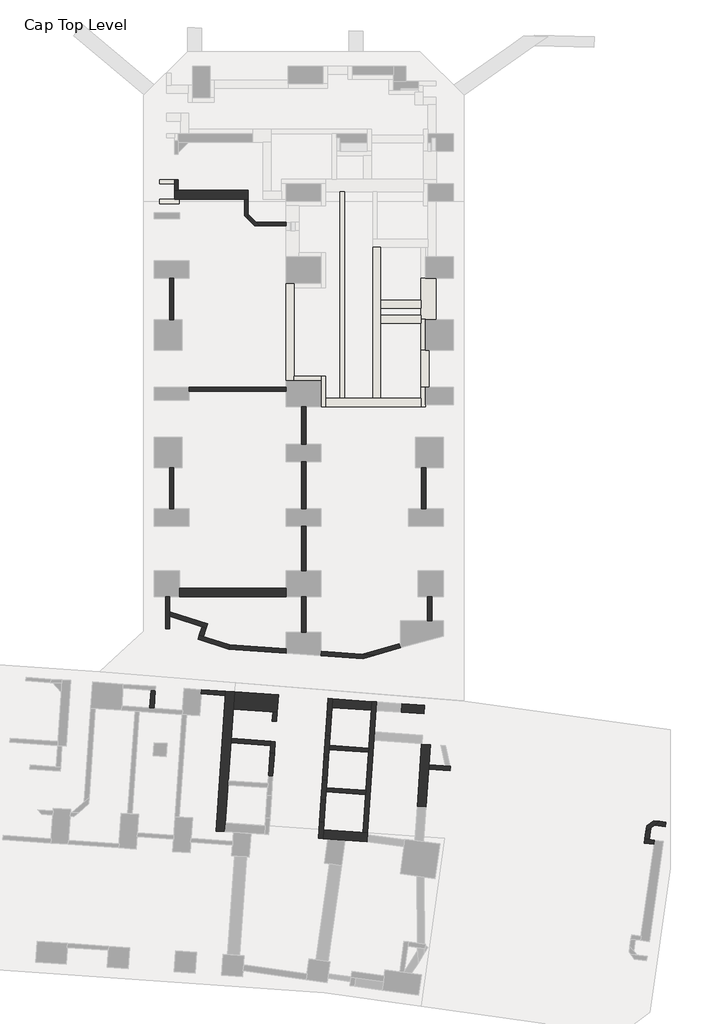
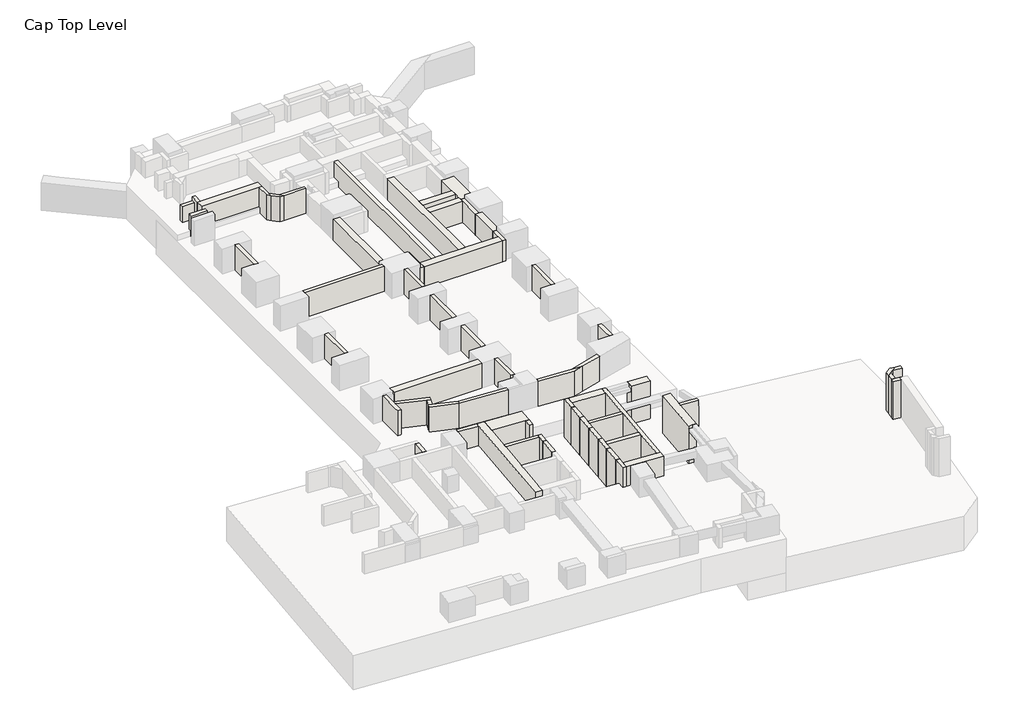
# One storey, part 2 of 5: 63 walls.
"""IFC4 building model written with IfcOpenShell, lengths in millimetres."""

from ifc_helpers import new_model, si_unit, frame, origin, place, context, project, spatial, polyline, outline, extrude, faceted_brep, element, save

model = new_model("IFC4")

# Units and contexts
model_context = context("Model", 3, world=origin())
ifc_project = project(units=[si_unit("LENGTHUNIT", "METRE", prefix="MILLI")], contexts=[model_context])

# Site, building, storey
site = spatial("IfcSite", under=ifc_project)
building = spatial("IfcBuilding", under=site)
storey = spatial("IfcBuildingStorey", under=building, Name="Cap Top Level", Elevation=2650.0)

# Walls
placement = place(None, origin())
element("IfcWall", 1, at=placement, inside=storey, context=model_context, shape_type="Brep", body=[
    faceted_brep([(-57907.6663124, 101505.2799223, 2650.0), (-61892.6663352, 101505.2799223, 2650.0), (-62092.6663352, 101505.2799223, 2650.0), (-62092.6663352, 101505.2799223, 4090.0), (-61892.6663352, 101505.2799223, 4090.0), (-57907.6663124, 101505.2799223, 4090.0), (-57907.6663124, 101505.2799223, 3890.0), (-57907.6663124, 101505.2799223, 3690.0), (-57907.6663124, 101005.2799223, 2650.0), (-57907.6663124, 101005.2799223, 4090.0), (-58107.6663124, 101005.2799223, 4090.0), (-62092.6663352, 101005.2799223, 4090.0), (-62092.6663352, 101005.2799223, 2650.0), (-57907.6663124, 101007.1889248, 4090.0), (-57907.6663124, 101256.8160493, 4090.0)], [[[0, 1, 2, 3, 4, 5, 6, 7]], [[8, 9, 10, 11, 12]], [[2, 1, 0, 8, 12]], [[5, 4, 3, 11, 10, 9, 13, 14]], [[0, 7, 6, 5, 14, 13, 9, 8]], [[3, 2, 12, 11]]]),
])
element("IfcWall", 2, at=placement, inside=storey, context=model_context, shape_type="Brep", body=[
    faceted_brep([(-59233.2094186, 64913.5909697, 2650.0), (-59198.3311817, 65412.3729949, 2650.0), (-58675.5064114, 72889.1155517, 2650.0), (-58675.5064114, 72889.1155517, 4090.0), (-58745.2628851, 71891.5515014, 4090.0), (-58861.4074139, 70230.6073565, 4090.0), (-58878.8465323, 69981.2163439, 4090.0), (-59029.8692977, 67821.4901777, 4090.0), (-59047.3084161, 67572.0991651, 4090.0), (-59198.3311817, 65412.3729949, 4090.0), (-59233.2094186, 64913.5909697, 4090.0), (-59731.9914437, 64948.4692064, 2650.0), (-59731.9914437, 64948.4692064, 4090.0), (-59191.727555, 72674.6027759, 4090.0), (-59174.2884365, 72923.9937885, 4090.0), (-59174.2884365, 72923.9937885, 2650.0), (-59191.727555, 72674.6027759, 2650.0)], [[[0, 1, 2, 3, 4, 5, 6, 7, 8, 9, 10]], [[11, 12, 13, 14, 15, 16]], [[2, 1, 0, 11, 16, 15]], [[10, 9, 8, 7, 6, 5, 4, 3, 14, 13, 12]], [[3, 2, 15, 14]], [[0, 10, 12, 11]]]),
])
element("IfcWall", 3, at=placement, inside=storey, context=model_context, shape_type="Brep", body=[
    faceted_brep([(-58745.2628851, 71891.5515014, 1300.0), (-56485.780312, 71733.5530887, 1300.0), (-56236.3892995, 71716.1139703, 1300.0), (-56236.3892995, 71716.1139703, 4090.0), (-56485.780312, 71733.5530887, 4090.0), (-58745.2628851, 71891.5515014, 4090.0), (-58675.5064114, 72889.1155517, 1300.0), (-58675.5064114, 72889.1155517, 2650.0), (-58675.5064114, 72889.1155517, 4090.0), (-56166.6328258, 72713.6780206, 4090.0), (-56166.6328258, 72713.6780206, 1300.0), (-56184.0719447, 72464.2870002, 4090.0)], [[[0, 1, 2, 3, 4, 5]], [[6, 7, 8, 9, 10]], [[2, 1, 0, 6, 10]], [[5, 4, 3, 11, 9, 8]], [[0, 5, 8, 7, 6]], [[3, 2, 10, 9, 11]]]),
])
element("IfcWall", 4, at=placement, inside=storey, context=model_context, shape_type="Brep", body=[
    faceted_brep([(-53631.8836912, 64521.9081174, 2650.0), (-51123.0136894, 64346.4708368, 2650.0), (-51123.0136894, 64346.4708368, 3390.0), (-51123.0136894, 64346.4708368, 3890.0), (-51123.0136894, 64346.4708368, 4090.0), (-53631.8836912, 64521.9081174, 4090.0), (-53597.0054548, 65020.6901426, 2650.0), (-53597.0054548, 65020.6901426, 4090.0), (-51337.5264651, 64862.6919803, 4090.0), (-51088.1354526, 64845.2528619, 4090.0), (-51088.1354526, 64845.2528619, 2650.0)], [[[0, 1, 2, 3, 4, 5]], [[6, 7, 8, 9, 10]], [[1, 0, 6, 10]], [[5, 4, 9, 8, 7]], [[4, 3, 2, 1, 10, 9]], [[0, 5, 7, 6]]]),
])
element("IfcWall", 5, at=placement, inside=storey, context=model_context, shape_type="SweptSolid", body=[
    extrude(outline(polyline([(-50849.579922, 71840.6526607), (-53109.0613208, 71998.6509913), (-53074.183084, 72497.4330164), (-50814.7016852, 72339.4346859), (-50849.579922, 71840.6526607)])), frame((0.0, 0.0, 1300.0), z_axis=(0.0, 0.0, 1.0), x_axis=(1.0, 0.0, 0.0)), (0.0, 0.0, 1.0), 2790.0),
])
element("IfcWall", 6, at=placement, inside=storey, context=model_context, shape_type="Brep", body=[
    faceted_brep([(-47736.7443604, 66325.076416, 1300.0), (-47586.0703773, 68479.8147593, 1300.0), (-47568.6312588, 68729.2057718, 1300.0), (-47488.7600959, 69871.4166147, 1300.0), (-47488.7600959, 69871.4166147, 4090.0), (-47568.6312588, 68729.2057718, 4090.0), (-47586.0703773, 68479.8147593, 4090.0), (-47736.7443604, 66325.076416, 4090.0), (-48235.5263855, 66359.9546529, 1300.0), (-48235.5263855, 66359.9546529, 4090.0), (-47987.542121, 69906.2948516, 4090.0), (-47987.542121, 69906.2948516, 1300.0), (-47986.1353785, 66342.5155348, 4090.0)], [[[0, 1, 2, 3, 4, 5, 6, 7]], [[8, 9, 10, 11]], [[3, 2, 1, 0, 8, 11]], [[4, 3, 11, 10]], [[7, 6, 5, 4, 10, 9, 12]], [[0, 7, 12, 9, 8]]]),
])
element("IfcWall", 7, at=placement, inside=storey, context=model_context, shape_type="SweptSolid", body=[
    extrude(outline(polyline([(-58861.4074139, 70230.6073565), (-56601.9248408, 70072.6089446), (-56619.3639588, 69823.217932), (-58878.8465323, 69981.2163439), (-58861.4074139, 70230.6073565)])), frame((0.0, 0.0, 1300.0), z_axis=(0.0, 0.0, 1.0), x_axis=(1.0, 0.0, 0.0)), (0.0, 0.0, 1.0), 2790.0),
])
element("IfcWall", 8, at=placement, inside=storey, context=model_context, shape_type="SweptSolid", body=[
    extrude(outline(polyline([(-56236.3892995, 71716.1139703), (-56272.3138834, 71202.3684844), (-56521.704896, 71219.8076028), (-56485.780312, 71733.5530887), (-56236.3892995, 71716.1139703)])), frame((0.0, 0.0, 1300.0), z_axis=(0.0, 0.0, 1.0), x_axis=(1.0, 0.0, 0.0)), (0.0, 0.0, 1.0), 2790.0),
])
element("IfcWall", 9, at=placement, inside=storey, context=model_context, shape_type="Brep", body=[
    faceted_brep([(-56601.9248408, 70072.6089446, 1300.0), (-56619.3639588, 69823.217932, 1300.0), (-56649.5345548, 69391.7582962, 1300.0), (-56649.5345548, 69391.7582962, 4090.0), (-56619.3639588, 69823.217932, 4090.0), (-56601.9248408, 70072.6089446, 4090.0), (-56352.5338282, 70055.1698263, 1300.0), (-56352.5338282, 70055.1698263, 4090.0), (-56400.1435422, 69374.3191782, 4090.0), (-56400.1435422, 69374.3191782, 1300.0)], [[[0, 1, 2, 3, 4, 5]], [[6, 7, 8, 9]], [[2, 1, 0, 6, 9]], [[3, 2, 9, 8]], [[5, 4, 3, 8, 7]], [[0, 5, 7, 6]]]),
])
element("IfcWall", 10, at=placement, inside=storey, context=model_context, shape_type="Brep", body=[
    faceted_brep([(-53816.2277296, 65469.5623167, 1300.0), (-53881.2747037, 64539.3472358, 1300.0), (-53881.2747037, 64539.3472358, 4090.0), (-53816.2277296, 65469.5623167, 4090.0), (-53631.8836912, 64521.9081174, 1300.0), (-53566.836717, 65452.1231985, 1300.0), (-53566.836717, 65452.1231985, 4090.0), (-53597.0054548, 65020.6901426, 4090.0), (-53631.8836912, 64521.9081174, 4090.0), (-53631.8836912, 64521.9081174, 2650.0)], [[[0, 1, 2, 3]], [[4, 5, 6, 7, 8, 9]], [[1, 0, 5, 4]], [[3, 2, 8, 7, 6]], [[0, 3, 6, 5]], [[2, 1, 4, 9, 8]]]),
])
element("IfcWall", 11, at=placement, inside=storey, context=model_context, shape_type="Brep", body=[
    faceted_brep([(-53647.7666381, 67878.7063474, 1300.0), (-53725.5469602, 66766.3959045, 1300.0), (-53725.5469602, 66766.3959045, 4090.0), (-53647.7666381, 67878.7063474, 4090.0), (-53476.1559476, 66748.9567863, 1300.0), (-53445.9853458, 67180.4164991, 1300.0), (-53428.5462276, 67429.8075116, 1300.0), (-53398.3756255, 67861.2672292, 1300.0), (-53398.3756255, 67861.2672292, 4090.0), (-53428.5462276, 67429.8075116, 4090.0), (-53445.9853458, 67180.4164991, 4090.0), (-53476.1559476, 66748.9567863, 4090.0)], [[[0, 1, 2, 3]], [[4, 5, 6, 7, 8, 9, 10, 11]], [[1, 0, 7, 6, 5, 4]], [[2, 1, 4, 11]], [[3, 2, 11, 10, 9, 8]], [[0, 3, 8, 7]]]),
])
element("IfcWall", 12, at=placement, inside=storey, context=model_context, shape_type="Brep", body=[
    faceted_brep([(-53470.5842815, 70412.5057953, 1300.0), (-53557.0832438, 69175.5130354, 1300.0), (-53557.0832438, 69175.5130354, 4090.0), (-53470.5842815, 70412.5057953, 4090.0), (-53307.6922312, 69158.0739166, 1300.0), (-53277.5216337, 69589.5335511, 1300.0), (-53260.0825149, 69838.9245636, 1300.0), (-53221.1932689, 70395.0666764, 1300.0), (-53221.1932689, 70395.0666764, 4090.0), (-53260.0825149, 69838.9245636, 4090.0), (-53277.5216337, 69589.5335511, 4090.0), (-53307.6922312, 69158.0739166, 4090.0)], [[[0, 1, 2, 3]], [[4, 5, 6, 7, 8, 9, 10, 11]], [[1, 0, 7, 6, 5, 4]], [[2, 1, 4, 11]], [[3, 2, 11, 10, 9, 8]], [[0, 3, 8, 7]]]),
])
element("IfcWall", 13, at=placement, inside=storey, context=model_context, shape_type="SweptSolid", body=[
    extrude(outline(polyline([(-51018.0418161, 69431.5353305), (-53277.5216337, 69589.5335511), (-53260.0825149, 69838.9245636), (-51000.6026978, 69680.926343), (-51018.0418161, 69431.5353305)])), frame((0.0, 0.0, 1300.0), z_axis=(0.0, 0.0, 1.0), x_axis=(1.0, 0.0, 0.0)), (0.0, 0.0, 1.0), 2790.0),
])
element("IfcWall", 14, at=placement, inside=storey, context=model_context, shape_type="SweptSolid", body=[
    extrude(outline(polyline([(-51186.5036996, 67022.418152), (-53445.9853458, 67180.4164991), (-53428.5462276, 67429.8075116), (-51169.0645812, 67271.8091646), (-51186.5036996, 67022.418152)])), frame((0.0, 0.0, 1300.0), z_axis=(0.0, 0.0, 1.0), x_axis=(1.0, 0.0, 0.0)), (0.0, 0.0, 1.0), 2790.0),
])
element("IfcWall", 15, at=placement, inside=storey, context=model_context, shape_type="Brep", body=[
    faceted_brep([(-50814.7016852, 72339.4346859, 1300.0), (-50849.579922, 71840.6526607, 1300.0), (-51000.6026978, 69680.926343, 1300.0), (-51018.0418161, 69431.5353305, 1300.0), (-51169.0645812, 67271.8091646, 1300.0), (-51186.5036996, 67022.418152, 1300.0), (-51337.5264651, 64862.6919803, 1300.0), (-51337.5264651, 64862.6919803, 4090.0), (-51186.5036996, 67022.418152, 4090.0), (-51169.0645812, 67271.8091646, 4090.0), (-51018.0418161, 69431.5353305, 4090.0), (-51000.6026978, 69680.926343, 4090.0), (-50849.579922, 71840.6526607, 4090.0), (-50814.7016852, 72339.4346859, 4090.0), (-50565.3106727, 72321.9955674, 1300.0), (-50565.3106727, 72321.9955674, 4090.0), (-51088.1354526, 64845.2528619, 4090.0), (-51088.1354526, 64845.2528619, 2650.0), (-51088.1354526, 64845.2528619, 1300.0)], [[[0, 1, 2, 3, 4, 5, 6, 7, 8, 9, 10, 11, 12, 13]], [[14, 15, 16, 17, 18]], [[6, 5, 4, 3, 2, 1, 0, 14, 18]], [[13, 12, 11, 10, 9, 8, 7, 16, 15]], [[7, 6, 18, 17, 16]], [[0, 13, 15, 14]]]),
])
element("IfcWall", 16, at=placement, inside=storey, context=model_context, shape_type="Brep", body=[
    faceted_brep([(-55727.6663351, 96205.2799223, 2250.0), (-55727.6663351, 90655.2799245, 2250.0), (-55727.6663351, 90655.2799245, 3815.0), (-55727.6663351, 96205.2799223, 3815.0), (-55277.6663351, 96205.2799223, 2250.0), (-55277.6663351, 96205.2799223, 3815.0), (-55277.6663351, 95955.2799223, 3815.0), (-55277.6663351, 90905.2799245, 3815.0), (-55277.6663351, 90655.2799245, 3815.0), (-55277.6663351, 90655.2799245, 2250.0), (-55277.6663351, 90905.2799245, 2250.0), (-55277.6663351, 95955.2799223, 2250.0)], [[[0, 1, 2, 3]], [[4, 5, 6, 7, 8, 9, 10, 11]], [[1, 0, 4, 11, 10, 9]], [[3, 2, 8, 7, 6, 5]], [[2, 1, 9, 8]], [[0, 3, 5, 4]]]),
])
element("IfcWall", 17, at=placement, inside=storey, context=model_context, shape_type="Brep", body=[
    faceted_brep([(-47587.6663167, 90280.2794447, 2250.0), (-47587.6663166, 92380.2794442, 2250.0), (-47587.6663166, 92380.2794442, 3815.0), (-47587.6663166, 92330.929148, 3815.0), (-47587.6663167, 90772.3957956, 3815.0), (-47587.6663167, 90280.2794447, 3815.0), (-48037.6663167, 90280.2794447, 2250.0), (-48037.6663167, 90280.2794447, 3815.0), (-48037.6663167, 92100.9330479, 3815.0), (-48037.6663166, 92380.2794442, 3815.0), (-48037.6663166, 92380.2794442, 3690.0), (-48037.6663166, 92380.2794442, 2250.0), (-47787.6663167, 90280.2794447, 2250.0), (-47787.6663414, 92380.2794442, 2250.0), (-47787.6663414, 92380.2794442, 3815.0), (-47604.3821695, 92380.2794442, 3815.0), (-47787.6663167, 90280.2794447, 3815.0)], [[[0, 1, 2, 3, 4, 5]], [[6, 7, 8, 9, 10, 11]], [[1, 0, 12, 6, 11, 13]], [[2, 1, 13, 11, 10, 9, 14, 15]], [[5, 4, 3, 2, 15, 14, 9, 8, 7, 16]], [[0, 5, 16, 7, 6, 12]]]),
])
element("IfcWall", 18, at=placement, inside=storey, context=model_context, shape_type="SweptSolid", body=[
    extrude(outline(polyline([(-61267.6663316, 90280.2799196), (-55727.6663352, 90280.2799201), (-55727.6663352, 90030.2799201), (-61267.6663316, 90030.2799196), (-61267.6663316, 90280.2799196)])), frame((0.0, 0.0, 2250.0), z_axis=(0.0, 0.0, 1.0), x_axis=(1.0, 0.0, 0.0)), (0.0, 0.0, 1.0), 1840.0),
])
element("IfcWall", 19, at=placement, inside=storey, context=model_context, shape_type="SweptSolid", body=[
    extrude(outline(polyline([(-54852.6663358, 87030.279923), (-54852.666336, 89155.2799228), (-54602.666336, 89155.2799228), (-54602.6663358, 87030.2799231), (-54852.6663358, 87030.279923)])), frame((0.0, 0.0, 2250.0), z_axis=(0.0, 0.0, 1.0), x_axis=(1.0, 0.0, 0.0)), (0.0, 0.0, 1.0), 1840.0),
])
element("IfcWall", 20, at=placement, inside=storey, context=model_context, shape_type="SweptSolid", body=[
    extrude(outline(polyline([(-62142.6663108, 96480.2799164), (-62142.6663106, 94130.2799202), (-62392.6663106, 94130.2799202), (-62392.6663108, 96480.2799164), (-62142.6663108, 96480.2799164)])), frame((0.0, 0.0, 2250.0), z_axis=(0.0, 0.0, 1.0), x_axis=(1.0, 0.0, 0.0)), (0.0, 0.0, 1.0), 1840.0),
])
element("IfcWall", 21, at=placement, inside=storey, context=model_context, shape_type="SweptSolid", body=[
    extrude(outline(polyline([(-62142.6663104, 85680.2799118), (-62142.6663102, 83330.2799157), (-62392.6663102, 83330.2799157), (-62392.6663104, 85680.2799118), (-62142.6663104, 85680.2799118)])), frame((0.0, 0.0, 2250.0), z_axis=(0.0, 0.0, 1.0), x_axis=(1.0, 0.0, 0.0)), (0.0, 0.0, 1.0), 1840.0),
])
element("IfcWall", 22, at=placement, inside=storey, context=model_context, shape_type="SweptSolid", body=[
    extrude(outline(polyline([(-54852.6663355, 83330.2799174), (-54852.6663355, 86030.279923), (-54602.6663355, 86030.279923), (-54602.6663355, 83330.2799174), (-54852.6663355, 83330.2799174)])), frame((0.0, 0.0, 2250.0), z_axis=(0.0, 0.0, 1.0), x_axis=(1.0, 0.0, 0.0)), (0.0, 0.0, 1.0), 1840.0),
])
element("IfcWall", 23, at=placement, inside=storey, context=model_context, shape_type="SweptSolid", body=[
    extrude(outline(polyline([(-54852.6663354, 79805.279924), (-54852.6663355, 82330.279924), (-54602.6663355, 82330.279924), (-54602.6663354, 79805.279924), (-54852.6663354, 79805.279924)])), frame((0.0, 0.0, 2250.0), z_axis=(0.0, 0.0, 1.0), x_axis=(1.0, 0.0, 0.0)), (0.0, 0.0, 1.0), 1840.0),
])
element("IfcWall", 24, at=placement, inside=storey, context=model_context, shape_type="Brep", body=[
    faceted_brep([(-54852.6663351, 78305.2799201, 2250.0), (-54852.6663351, 76305.2799242, 2250.0), (-54852.6663351, 76305.2799242, 4090.0), (-54852.6663351, 78305.2799201, 4090.0), (-54602.6663351, 78305.2799201, 2250.0), (-54602.6663351, 78305.2799201, 4090.0), (-54602.6663351, 76305.2799242, 4090.0), (-54602.6663351, 76305.2799242, 2250.0), (-54727.5323122, 76305.2799242, 4090.0)], [[[0, 1, 2, 3]], [[4, 5, 6, 7]], [[1, 0, 4, 7]], [[2, 1, 7, 6, 8]], [[3, 2, 8, 6, 5]], [[0, 3, 5, 4]]]),
])
element("IfcWall", 25, at=placement, inside=storey, context=model_context, shape_type="SweptSolid", body=[
    extrude(outline(polyline([(-55727.6663349, 78305.2799239), (-61817.6663354, 78305.2799231), (-61817.6663354, 78805.2799231), (-55727.666335, 78805.2799239), (-55727.6663349, 78305.2799239)])), frame((0.0, 0.0, 2250.0), z_axis=(0.0, 0.0, 1.0), x_axis=(1.0, 0.0, 0.0)), (0.0, 0.0, 1.0), 1840.0),
])
element("IfcWall", 26, at=placement, inside=storey, context=model_context, shape_type="Brep", body=[
    faceted_brep([(-62367.666382, 76495.2798844, 2250.0), (-62367.666382, 77203.4959914, 2250.0), (-62367.6663821, 77466.3615475, 2250.0), (-62367.6663821, 78305.2798844, 2250.0), (-62367.6663821, 78305.2798844, 4090.0), (-62367.6663821, 77466.3615475, 4090.0), (-62367.666382, 77203.4959914, 4090.0), (-62367.666382, 76677.864497, 4090.0), (-62367.666382, 76495.2798844, 4090.0), (-62367.666382, 76495.2798844, 3690.0), (-62617.666382, 76495.2798843, 2250.0), (-62617.666382, 76495.2798843, 4090.0), (-62617.666382, 76496.2659268, 4090.0), (-62617.666382, 76759.09406, 4090.0), (-62617.6663821, 78305.2798843, 4090.0), (-62617.6663821, 78305.2798843, 2250.0), (-62614.6271211, 76495.2798843, 4090.0), (-62522.4643505, 76495.2798844, 4090.0)], [[[0, 1, 2, 3, 4, 5, 6, 7, 8, 9]], [[10, 11, 12, 13, 14, 15]], [[3, 2, 1, 0, 10, 15]], [[4, 3, 15, 14]], [[8, 7, 6, 5, 4, 14, 13, 12, 11, 16, 17]], [[0, 9, 8, 17, 16, 11, 10]]]),
])
element("IfcWall", 27, at=placement, inside=storey, context=model_context, shape_type="Brep", body=[
    faceted_brep([(-60219.9386754, 76768.5225135, 2250.0), (-62367.6663821, 77466.3615475, 2250.0), (-62367.6663821, 77466.3615475, 4090.0), (-60219.9386754, 76768.5225135, 4090.0), (-60297.192924, 76530.7583844, 2250.0), (-60297.192924, 76530.7583844, 4090.0), (-60534.9570531, 76608.012633, 4090.0), (-62367.666382, 77203.4959914, 4090.0), (-62367.666382, 77203.4959914, 2250.0), (-60534.9570531, 76608.012633, 2250.0)], [[[0, 1, 2, 3]], [[4, 5, 6, 7, 8, 9]], [[1, 0, 4, 9, 8]], [[3, 2, 7, 6, 5]], [[2, 1, 8, 7]], [[0, 3, 5, 4]]]),
])
element("IfcWall", 28, at=placement, inside=storey, context=model_context, shape_type="SweptSolid", body=[
    extrude(outline(polyline([(-58956.9289349, 75565.5989937), (-55730.1564545, 75339.9610813), (-55747.5955729, 75090.5700687), (-59004.9894193, 75318.3492356), (-58956.9289349, 75565.5989937)])), frame((0.0, 0.0, 2250.0), z_axis=(0.0, 0.0, 1.0), x_axis=(1.0, 0.0, 0.0)), (0.0, 0.0, 1.0), 1840.0),
])
element("IfcWall", 29, at=placement, inside=storey, context=model_context, shape_type="Brep", body=[
    faceted_brep([(-53726.9582846, 74950.4018736, 2250.0), (-51345.7395751, 74783.7165635, 2250.0), (-51345.7395751, 74783.7165635, 4090.0), (-53726.9582846, 74950.4018736, 4090.0), (-53709.5010026, 75199.7916153, 2250.0), (-53709.5010026, 75199.7916153, 4090.0), (-51372.2657975, 75036.1851506, 4090.0), (-50643.2448509, 74985.1536842, 4090.0), (-50643.2448509, 74985.1536842, 2250.0), (-51372.2657975, 75036.1851506, 2250.0)], [[[0, 1, 2, 3]], [[4, 5, 6, 7, 8, 9]], [[1, 0, 4, 9, 8]], [[3, 2, 7, 6, 5]], [[0, 3, 5, 4]], [[2, 1, 8, 7]]]),
])
element("IfcWall", 30, at=placement, inside=storey, context=model_context, shape_type="Brep", body=[
    faceted_brep([(-47412.6663167, 76940.2799165, 2250.0), (-47412.6663169, 78305.2799079, 2250.0), (-47412.6663169, 78305.2799079, 4090.0), (-47412.6663168, 77976.9984399, 4090.0), (-47412.6663167, 77281.6276111, 4090.0), (-47412.6663167, 76940.2799165, 4090.0), (-47662.6663167, 76940.2799165, 2250.0), (-47662.6663167, 76940.2799165, 4090.0), (-47662.6663168, 77328.1220345, 4090.0), (-47662.6663169, 78305.2799078, 4090.0), (-47662.6663169, 78305.2799078, 2250.0)], [[[0, 1, 2, 3, 4, 5]], [[6, 7, 8, 9, 10]], [[1, 0, 6, 10]], [[2, 1, 10, 9]], [[5, 4, 3, 2, 9, 8, 7]], [[0, 5, 7, 6]]]),
])
element("IfcWall", 31, at=placement, inside=storey, context=model_context, shape_type="SweptSolid", body=[
    extrude(outline(polyline([(-47987.6663299, 83330.2799174), (-47987.6663301, 85680.2799135), (-47737.6663301, 85680.2799135), (-47737.6663299, 83330.2799174), (-47987.6663299, 83330.2799174)])), frame((0.0, 0.0, 2250.0), z_axis=(0.0, 0.0, 1.0), x_axis=(1.0, 0.0, 0.0)), (0.0, 0.0, 1.0), 1840.0),
])
element("IfcWall", 32, at=placement, inside=storey, context=model_context, shape_type="Brep", body=[
    faceted_brep([(-53477.6663147, 89155.2794442, 2250.0), (-48037.6663167, 89155.2794442, 2250.0), (-48037.6663167, 89155.2794442, 3815.0), (-53477.6663147, 89155.2794442, 3815.0), (-53477.6663147, 89655.2794442, 2250.0), (-53477.6663147, 89655.2794442, 3815.0), (-52652.6663115, 89655.2794442, 3815.0), (-52402.6663115, 89655.2794442, 3815.0), (-50777.6663155, 89655.2794442, 3815.0), (-50327.6663155, 89655.2794442, 3815.0), (-48037.6663167, 89655.2794442, 3815.0), (-48037.6663167, 89655.2794442, 2250.0), (-50327.6663155, 89655.2794442, 2250.0), (-50777.6663155, 89655.2794442, 2250.0), (-52402.6663115, 89655.2794442, 2250.0), (-52652.6663115, 89655.2794442, 2250.0)], [[[0, 1, 2, 3]], [[4, 5, 6, 7, 8, 9, 10, 11, 12, 13, 14, 15]], [[1, 0, 4, 15, 14, 13, 12, 11]], [[3, 2, 10, 9, 8, 7, 6, 5]], [[0, 3, 5, 4]], [[2, 1, 11, 10]]]),
])
element("IfcWall", 33, at=placement, inside=storey, context=model_context, shape_type="SweptSolid", body=[
    extrude(outline(polyline([(-63516.0952011, 71974.5429686), (-63446.3382295, 72972.1141347), (-63196.947217, 72954.6750162), (-63266.704122, 71957.1048012), (-63516.0952011, 71974.5429686)])), frame((0.0, 0.0, 2650.0), z_axis=(0.0, 0.0, 1.0), x_axis=(1.0, 0.0, 0.0)), (0.0, 0.0, 1.0), 1440.0),
])
element("IfcWall", 34, at=placement, inside=storey, context=model_context, shape_type="SweptSolid", body=[
    extrude(outline(polyline([(-60565.8902859, 73021.3040692), (-59174.2884365, 72923.9937885), (-59191.727555, 72674.6027759), (-60583.3294043, 72771.9130567), (-60565.8902859, 73021.3040692)])), frame((0.0, 0.0, 2650.0), z_axis=(0.0, 0.0, 1.0), x_axis=(1.0, 0.0, 0.0)), (0.0, 0.0, 1.0), 1440.0),
])
element("IfcWall", 35, at=placement, inside=storey, context=model_context, shape_type="Brep", body=[
    faceted_brep([(-46349.7194842, 68643.9711529, 1300.0), (-47568.6312588, 68729.2057718, 1300.0), (-47568.6312588, 68729.2057718, 4090.0), (-46632.1912853, 68663.7235065, 4090.0), (-46372.4390806, 68645.559862, 4090.0), (-46349.7194842, 68643.9711529, 4090.0), (-46367.1586035, 68394.5801404, 1300.0), (-46367.1586035, 68394.5801404, 4090.0), (-47586.0703773, 68479.8147593, 4090.0), (-47586.0703773, 68479.8147593, 1300.0), (-46365.7039751, 68415.3822949, 4090.0), (-46355.174554, 68565.960024, 4090.0)], [[[0, 1, 2, 3, 4, 5]], [[6, 7, 8, 9]], [[1, 0, 6, 9]], [[5, 4, 3, 2, 8, 7, 10, 11]], [[0, 5, 11, 10, 7, 6]], [[2, 1, 9, 8]]]),
])
element("IfcWall", 36, at=placement, inside=storey, context=model_context, shape_type="SweptSolid", body=[
    extrude(outline(polyline([(-34076.6021458, 65203.9142214), (-34670.7628922, 65287.4180686), (-34388.4025998, 65500.1918105), (-34041.8088706, 65451.4812386), (-34076.6021458, 65203.9142214)])), frame((0.0, 0.0, 1300.0), z_axis=(0.0, 0.0, 1.0), x_axis=(1.0, 0.0, 0.0)), (0.0, 0.0, 1.0), 2790.0),
])
element("IfcWall", 37, at=placement, inside=storey, context=model_context, shape_type="SweptSolid", body=[
    extrude(outline(polyline([(-34896.6507378, 65117.1993677), (-34987.1133004, 64473.5247887), (-35234.6803176, 64508.3180639), (-35179.0110302, 64904.4256258), (-34896.6507378, 65117.1993677)])), frame((0.0, 0.0, 1300.0), z_axis=(0.0, 0.0, 1.0), x_axis=(1.0, 0.0, 0.0)), (0.0, 0.0, 1.0), 2790.0),
])
element("IfcWall", 38, at=placement, inside=storey, context=model_context, shape_type="Brep", body=[
    faceted_brep([(-34691.0231407, 64431.9120305, 1300.0), (-34987.1133004, 64473.5247887, 1300.0), (-35234.6803176, 64508.3180639, 1300.0), (-35234.6803176, 64508.3180639, 4090.0), (-34987.1133004, 64473.5247887, 4090.0), (-34691.0231407, 64431.9120305, 4090.0), (-34725.8164159, 64184.3450133, 1300.0), (-34725.8164159, 64184.3450133, 4090.0), (-35269.4735929, 64260.7510468, 4090.0), (-35269.4735929, 64260.7510468, 1300.0)], [[[0, 1, 2, 3, 4, 5]], [[6, 7, 8, 9]], [[2, 1, 0, 6, 9]], [[5, 4, 3, 8, 7]], [[0, 5, 7, 6]], [[3, 2, 9, 8]]]),
])
element("IfcWall", 39, at=placement, inside=storey, context=model_context, shape_type="SweptSolid", body=[
    extrude(outline(polyline([(-56740.2168264, 68094.9515303), (-56649.5352589, 69391.7583458), (-56400.1442464, 69374.3192271), (-56490.8258138, 68077.5124116), (-56740.2168264, 68094.9515303)])), frame((0.0, 0.0, 1300.0), z_axis=(0.0, 0.0, 1.0), x_axis=(1.0, 0.0, 0.0)), (0.0, 0.0, 1.0), 2790.0),
])
element("IfcWall", 40, at=placement, inside=storey, context=model_context, shape_type="SweptSolid", body=[
    extrude(outline(polyline([(-53476.1507313, 66748.9564214), (-53566.8341566, 65452.1230193), (-53816.2251692, 65469.5621377), (-53725.5417439, 66766.3955399), (-53476.1507313, 66748.9564214)])), frame((0.0, 0.0, 1300.0), z_axis=(0.0, 0.0, 1.0), x_axis=(1.0, 0.0, 0.0)), (0.0, 0.0, 1.0), 2790.0),
])
element("IfcWall", 41, at=placement, inside=storey, context=model_context, shape_type="SweptSolid", body=[
    extrude(outline(polyline([(-53307.6914858, 69158.0731338), (-53398.380616, 67861.2668472), (-53647.7715269, 67878.7074202), (-53557.0823967, 69175.5137068), (-53307.6914858, 69158.0731338)])), frame((0.0, 0.0, 1300.0), z_axis=(0.0, 0.0, 1.0), x_axis=(1.0, 0.0, 0.0)), (0.0, 0.0, 1.0), 2790.0),
])
element("IfcWall", 42, at=placement, inside=storey, context=model_context, shape_type="Brep", body=[
    faceted_brep([(-57907.6663124, 99867.628608, 2250.0), (-57907.6663124, 100150.7883318, 2250.0), (-57907.6663124, 101005.2799223, 2250.0), (-57907.6663124, 101005.2799223, 2650.0), (-57907.6663124, 101005.2799223, 4090.0), (-57907.6663124, 100150.7883318, 4090.0), (-57907.6663124, 99867.628608, 4090.0), (-58107.6663124, 100068.076679, 2250.0), (-58107.6663124, 100068.076679, 4090.0), (-58107.6663124, 101005.2799223, 4090.0), (-58107.6663124, 101005.2799223, 2250.0)], [[[0, 1, 2, 3, 4, 5, 6]], [[7, 8, 9, 10]], [[2, 1, 0, 7, 10]], [[6, 5, 4, 9, 8]], [[0, 6, 8, 7]], [[4, 3, 2, 10, 9]]]),
])
element("IfcWall", 43, at=placement, inside=storey, context=model_context, shape_type="Brep", body=[
    faceted_brep([(-57253.6227109, 99495.2794405, 2250.0), (-57453.1756415, 99695.2794405, 2250.0), (-57907.6663124, 100150.7883318, 2250.0), (-57907.6663124, 100150.7883318, 4090.0), (-57453.1756415, 99695.2794405, 4090.0), (-57253.6227109, 99495.2794405, 4090.0), (-57536.1494744, 99495.2794405, 2250.0), (-57536.1494744, 99495.2794405, 4090.0), (-57907.6663124, 99867.628608, 4090.0), (-57907.6663124, 99867.628608, 2250.0)], [[[0, 1, 2, 3, 4, 5]], [[6, 7, 8, 9]], [[2, 1, 0, 6, 9]], [[5, 4, 3, 8, 7]], [[3, 2, 9, 8]], [[0, 5, 7, 6]]]),
])
element("IfcWall", 44, at=placement, inside=storey, context=model_context, shape_type="SweptSolid", body=[
    extrude(outline(polyline([(-57453.1756415, 99695.2794405), (-55727.5323139, 99695.2794406), (-55727.5323139, 99495.2794406), (-57253.6227109, 99495.2794405), (-57453.1756415, 99695.2794405)])), frame((0.0, 0.0, 2250.0), z_axis=(0.0, 0.0, 1.0), x_axis=(1.0, 0.0, 0.0)), (0.0, 0.0, 1.0), 1840.0),
])
element("IfcWall", 45, at=placement, inside=storey, context=model_context, shape_type="Brep", body=[
    faceted_brep([(-47187.6663165, 94155.2794442, 2250.0), (-47187.6663165, 96480.279444, 2250.0), (-47187.6663165, 96480.279444, 3815.0), (-47187.6663165, 94155.2794442, 3815.0), (-48037.6663165, 94155.2794442, 2250.0), (-48037.6663165, 94155.2794442, 3815.0), (-48037.6663165, 94380.2794442, 3815.0), (-48037.6663165, 94780.279444, 3815.0), (-48037.6663165, 95230.279444, 3815.0), (-48037.6663165, 96480.279444, 3815.0), (-48037.6663165, 96480.279444, 2250.0), (-48037.6663165, 95230.279444, 2250.0), (-48037.6663165, 94780.279444, 2250.0), (-48037.6663165, 94380.2794442, 2250.0), (-47787.6663414, 94155.2794442, 2250.0), (-47787.6663085, 96480.279444, 2250.0), (-47787.6663085, 96480.279444, 3815.0), (-47787.6663414, 94155.2794442, 3815.0)], [[[0, 1, 2, 3]], [[4, 5, 6, 7, 8, 9, 10, 11, 12, 13]], [[1, 0, 14, 4, 13, 12, 11, 10, 15]], [[2, 1, 15, 10, 9, 16]], [[3, 2, 16, 9, 8, 7, 6, 5, 17]], [[0, 3, 17, 5, 4, 14]]]),
])
element("IfcWall", 46, at=placement, inside=storey, context=model_context, shape_type="SweptSolid", body=[
    extrude(outline(polyline([(-48037.6663165, 94780.279444), (-50327.6663155, 94780.279444), (-50327.6663155, 95230.279444), (-48037.6663165, 95230.279444), (-48037.6663165, 94780.279444)])), frame((0.0, 0.0, 2250.0), z_axis=(0.0, 0.0, 1.0), x_axis=(1.0, 0.0, 0.0)), (0.0, 0.0, 1.0), 1565.0),
])
element("IfcWall", 47, at=placement, inside=storey, context=model_context, shape_type="Brep", body=[
    faceted_brep([(-35179.0110302, 64904.4256258, 1300.0), (-34896.6507378, 65117.1993677, 1300.0), (-34670.7628922, 65287.4180686, 1300.0), (-34388.4025998, 65500.1918105, 1300.0), (-34388.4025998, 65500.1918105, 4090.0), (-34670.7628922, 65287.4180686, 4090.0), (-34896.6507378, 65117.1993677, 4090.0), (-35179.0110302, 64904.4256258, 4090.0), (-35129.8059085, 65254.5382591, 1300.0), (-35129.8059085, 65254.5382591, 4090.0), (-34738.5152331, 65549.3969322, 4090.0), (-34738.5152331, 65549.3969322, 1300.0)], [[[0, 1, 2, 3, 4, 5, 6, 7]], [[8, 9, 10, 11]], [[3, 2, 1, 0, 8, 11]], [[7, 6, 5, 4, 10, 9]], [[4, 3, 11, 10]], [[0, 7, 9, 8]]]),
])
element("IfcWall", 48, at=placement, inside=storey, context=model_context, shape_type="Brep", body=[
    faceted_brep([(-53323.5740965, 72514.8721349, 1300.0), (-53388.7963994, 71582.1497481, 1300.0), (-53388.7963994, 71582.1497481, 4090.0), (-53323.5740965, 72514.8721349, 4090.0), (-53139.4053868, 71564.7106297, 1300.0), (-53109.0613208, 71998.6509913, 1300.0), (-53074.183084, 72497.4330164, 1300.0), (-53074.183084, 72497.4330164, 4090.0), (-53109.0613208, 71998.6509913, 4090.0), (-53139.4053868, 71564.7106297, 4090.0)], [[[0, 1, 2, 3]], [[4, 5, 6, 7, 8, 9]], [[1, 0, 6, 5, 4]], [[2, 1, 4, 9]], [[3, 2, 9, 8, 7]], [[0, 3, 7, 6]]]),
])
element("IfcWall", 49, at=placement, inside=storey, context=model_context, shape_type="SweptSolid", body=[
    extrude(outline(polyline([(-53139.4058771, 71564.710664), (-53221.1953419, 70395.0668216), (-53470.5863545, 70412.50594), (-53388.7968896, 71582.1497824), (-53139.4058771, 71564.710664)])), frame((0.0, 0.0, 1300.0), z_axis=(0.0, 0.0, 1.0), x_axis=(1.0, 0.0, 0.0)), (0.0, 0.0, 1.0), 2790.0),
])
element("IfcWall", 50, at=placement, inside=storey, context=model_context, shape_type="SweptSolid", body=[
    extrude(outline(polyline([(-60297.192924, 76530.7583844), (-60452.8623295, 76051.6572179), (-60690.6264586, 76128.9114665), (-60534.9570531, 76608.012633), (-60297.192924, 76530.7583844)])), frame((0.0, 0.0, 2250.0), z_axis=(0.0, 0.0, 1.0), x_axis=(1.0, 0.0, 0.0)), (0.0, 0.0, 1.0), 1840.0),
])
element("IfcWall", 51, at=placement, inside=storey, context=model_context, shape_type="Brep", body=[
    faceted_brep([(-58956.9289349, 75565.5989937, 2250.0), (-60452.8623295, 76051.6572179, 2250.0), (-60690.6264586, 76128.9114665, 2250.0), (-60690.6264586, 76128.9114665, 4090.0), (-60452.8623295, 76051.6572179, 4090.0), (-58956.9289349, 75565.5989937, 4090.0), (-59004.9894193, 75318.3492356, 2250.0), (-59004.9894193, 75318.3492356, 4090.0), (-60767.8807072, 75891.1473374, 4090.0), (-60767.8807072, 75891.1473374, 2250.0)], [[[0, 1, 2, 3, 4, 5]], [[6, 7, 8, 9]], [[2, 1, 0, 6, 9]], [[5, 4, 3, 8, 7]], [[0, 5, 7, 6]], [[3, 2, 9, 8]]]),
])
element("IfcWall", 52, at=placement, inside=storey, context=model_context, shape_type="SweptSolid", body=[
    extrude(outline(polyline([(-49212.0040161, 75395.5553895), (-50643.2448509, 74985.1536842), (-51372.2657975, 75036.1851506), (-49280.9133551, 75635.8708135), (-49212.0040161, 75395.5553895)])), frame((0.0, 0.0, 2250.0), z_axis=(0.0, 0.0, 1.0), x_axis=(1.0, 0.0, 0.0)), (0.0, 0.0, 1.0), 1840.0),
])
element("IfcWall", 53, at=placement, inside=storey, context=model_context, shape_type="SweptSolid", body=[
    extrude(outline(polyline([(-52652.6663115, 89655.2794442), (-52652.6663115, 101430.2799218), (-52402.6663115, 101430.2799218), (-52402.6663115, 89655.2794442), (-52652.6663115, 89655.2794442)])), frame((0.0, 0.0, 2250.0), z_axis=(0.0, 0.0, 1.0), x_axis=(1.0, 0.0, 0.0)), (0.0, 0.0, 1.0), 1565.0),
])
element("IfcWall", 54, at=placement, inside=storey, context=model_context, shape_type="Brep", body=[
    faceted_brep([(-50327.6663155, 89655.2794442, 2250.0), (-50327.6663155, 93930.2794442, 2250.0), (-50327.6663155, 94380.2794442, 2250.0), (-50327.6663155, 94780.279444, 2250.0), (-50327.6663155, 95230.279444, 2250.0), (-50327.6663155, 98255.279444, 2250.0), (-50327.6663155, 98255.279444, 3815.0), (-50327.6663155, 95230.279444, 3815.0), (-50327.6663155, 94780.279444, 3815.0), (-50327.6663155, 94380.2794442, 3815.0), (-50327.6663155, 93930.2794442, 3815.0), (-50327.6663155, 89655.2794442, 3815.0), (-50777.6663155, 89655.2794442, 2250.0), (-50777.6663155, 89655.2794442, 3815.0), (-50777.6663155, 98255.279444, 3815.0), (-50777.6663155, 98255.279444, 2250.0)], [[[0, 1, 2, 3, 4, 5, 6, 7, 8, 9, 10, 11]], [[12, 13, 14, 15]], [[5, 4, 3, 2, 1, 0, 12, 15]], [[11, 10, 9, 8, 7, 6, 14, 13]], [[0, 11, 13, 12]], [[6, 5, 15, 14]]]),
])
element("IfcWall", 55, at=placement, inside=storey, context=model_context, shape_type="SweptSolid", body=[
    extrude(outline(polyline([(-53727.6663147, 90655.2799245), (-55277.6663351, 90655.2799245), (-55277.6663351, 90905.2799245), (-53727.6663147, 90905.2799245), (-53727.6663147, 90655.2799245)])), frame((0.0, 0.0, 2250.0), z_axis=(0.0, 0.0, 1.0), x_axis=(1.0, 0.0, 0.0)), (0.0, 0.0, 1.0), 1565.0),
])
element("IfcWall", 56, at=placement, inside=storey, context=model_context, shape_type="Brep", body=[
    faceted_brep([(-53727.6663147, 90905.2799245, 2250.0), (-53727.6663147, 90655.2799245, 2250.0), (-53727.6663147, 89155.2794442, 2250.0), (-53727.6663147, 89155.2794442, 3815.0), (-53727.6663147, 90655.2799245, 3815.0), (-53727.6663147, 90905.2799245, 3815.0), (-53477.6663147, 90905.2799245, 2250.0), (-53477.6663147, 90905.2799245, 3815.0), (-53477.6663147, 89655.2794442, 3815.0), (-53477.6663147, 89155.2794442, 3815.0), (-53477.6663147, 89155.2794442, 2250.0), (-53477.6663147, 89655.2794442, 2250.0)], [[[0, 1, 2, 3, 4, 5]], [[6, 7, 8, 9, 10, 11]], [[2, 1, 0, 6, 11, 10]], [[5, 4, 3, 9, 8, 7]], [[3, 2, 10, 9]], [[0, 5, 7, 6]]]),
])
element("IfcWall", 57, at=placement, inside=storey, context=model_context, shape_type="Brep", body=[
    faceted_brep([(-47787.6663414, 92380.2794442, 2250.0), (-47787.6663414, 94130.2799215, 2250.0), (-47787.6663414, 94155.2794442, 2250.0), (-47787.6663414, 94155.2794442, 3815.0), (-47787.6663414, 92380.2794442, 3815.0), (-48037.6663414, 92380.2794442, 2250.0), (-48037.6663414, 92380.2794442, 3815.0), (-48037.6663414, 94155.2794442, 3815.0), (-48037.6663414, 94155.2794442, 2250.0)], [[[0, 1, 2, 3, 4]], [[5, 6, 7, 8]], [[2, 1, 0, 5, 8]], [[3, 2, 8, 7]], [[4, 3, 7, 6]], [[0, 4, 6, 5]]]),
])
element("IfcWall", 58, at=placement, inside=storey, context=model_context, shape_type="Brep", body=[
    faceted_brep([(-61892.6663352, 101505.2799223, 2650.0), (-61892.6663352, 102125.2794432, 2650.0), (-61892.6663352, 102125.2794432, 3690.0), (-61892.6663352, 102125.2794432, 4090.0), (-61892.6663352, 101505.2799223, 4090.0), (-61892.6663352, 101505.2799223, 3690.0), (-62092.6663352, 101505.2799223, 2650.0), (-62092.6663352, 101505.2799223, 4090.0), (-62092.6663352, 102125.2794432, 4090.0), (-62092.6663352, 102125.2794432, 3815.0), (-62092.6663352, 102125.2794432, 2650.0), (-62092.6663352, 101875.2794432, 2650.0)], [[[0, 1, 2, 3, 4, 5]], [[6, 7, 8, 9, 10, 11]], [[1, 0, 6, 11, 10]], [[4, 3, 8, 7]], [[0, 5, 4, 7, 6]], [[3, 2, 1, 10, 9, 8]]]),
])
element("IfcWall", 59, at=placement, inside=storey, context=model_context, shape_type="SweptSolid", body=[
    extrude(outline(polyline([(-62942.6662266, 101005.2799223), (-61842.6662454, 101005.2794447), (-61842.6663539, 100755.2794447), (-62942.6663352, 100755.2799223), (-62942.6662266, 101005.2799223)])), frame((0.0, 0.0, 2250.0), z_axis=(0.0, 0.0, 1.0), x_axis=(1.0, 0.0, 0.0)), (0.0, 0.0, 1.0), 1565.0),
])
element("IfcWall", 60, at=placement, inside=storey, context=model_context, shape_type="SweptSolid", body=[
    extrude(outline(polyline([(-62942.6663352, 102125.2794432), (-62092.6663352, 102125.2794432), (-62092.6663352, 101875.2794432), (-62942.6663352, 101875.2794432), (-62942.6663352, 102125.2794432)])), frame((0.0, 0.0, 2650.0), z_axis=(0.0, 0.0, 1.0), x_axis=(1.0, 0.0, 0.0)), (0.0, 0.0, 1.0), 1165.0),
])
element("IfcWall", 61, at=placement, inside=storey, context=model_context, shape_type="Brep", body=[
    faceted_brep([(-49153.7210427, 71722.0665098, 1300.0), (-47866.863418, 71632.0806568, 1300.0), (-47866.863418, 71632.0806568, 4090.0), (-49153.7210427, 71722.0665098, 4090.0), (-49118.8428051, 72220.8485349, 1300.0), (-49118.8428051, 72220.8485349, 4090.0), (-47831.9851804, 72130.8626819, 4090.0), (-47831.9851804, 72130.8626819, 1300.0), (-47849.4245357, 71881.468287, 4090.0), (-49136.2820541, 71971.4556603, 4090.0)], [[[0, 1, 2, 3]], [[4, 5, 6, 7]], [[1, 0, 4, 7]], [[2, 1, 7, 6, 8]], [[3, 2, 8, 6, 5, 9]], [[0, 3, 9, 5, 4]]]),
])
element("IfcWall", 62, at=placement, inside=storey, context=model_context, shape_type="Brep", body=[
    faceted_brep([(-50327.6663155, 93930.2794442, 2250.0), (-48037.6663165, 93930.2794442, 2250.0), (-48037.6663165, 93930.2794442, 3815.0), (-50327.6663155, 93930.2794442, 3815.0), (-50327.6663155, 94380.2794442, 2250.0), (-50327.6663155, 94380.2794442, 3815.0), (-48037.6663165, 94380.2794442, 3815.0), (-48037.6663165, 94380.2794442, 2250.0), (-48037.6663165, 94155.2794442, 2250.0), (-48037.6663165, 94155.2794442, 3815.0)], [[[0, 1, 2, 3]], [[4, 5, 6, 7]], [[1, 0, 4, 7, 8]], [[3, 2, 9, 6, 5]], [[0, 3, 5, 4]], [[2, 1, 8, 7, 6, 9]]]),
])
element("IfcWall", 63, at=placement, inside=storey, context=model_context, shape_type="Brep", body=[
    faceted_brep([(-48037.6663167, 90280.2794447, 2250.0), (-48037.6663167, 89655.2794442, 2250.0), (-48037.6663167, 89155.2794442, 2250.0), (-48037.6663167, 89155.2794442, 3815.0), (-48037.6663167, 89655.2794442, 3815.0), (-48037.6663167, 90280.2794447, 3815.0), (-47787.6663167, 90280.2794447, 2250.0), (-47787.6663167, 90280.2794447, 3815.0), (-47787.6663167, 89155.2794442, 3815.0), (-47787.6663167, 89155.2794442, 2250.0)], [[[0, 1, 2, 3, 4, 5]], [[6, 7, 8, 9]], [[2, 1, 0, 6, 9]], [[5, 4, 3, 8, 7]], [[0, 5, 7, 6]], [[3, 2, 9, 8]]]),
])

save(model, "model.ifc")
